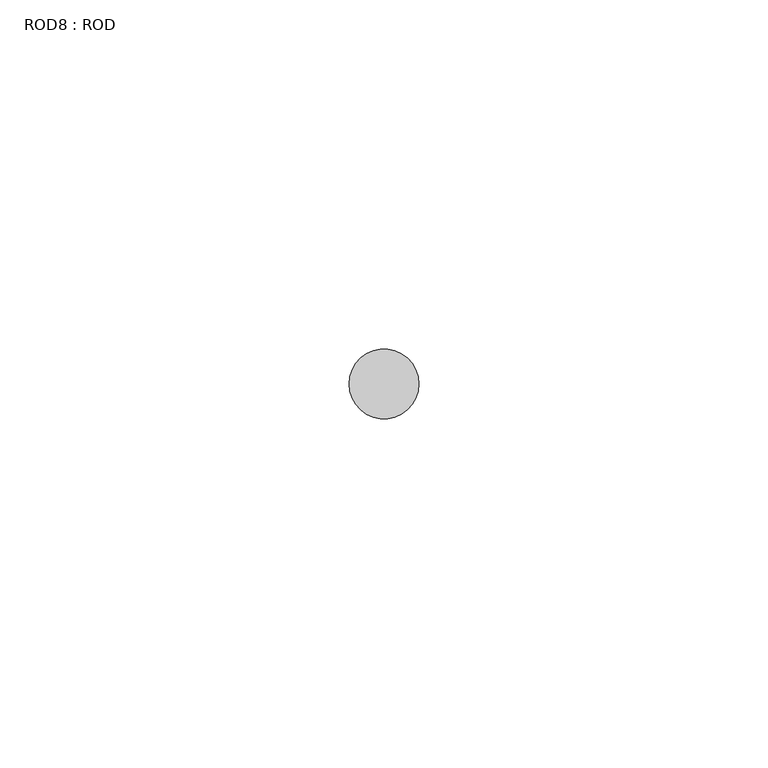
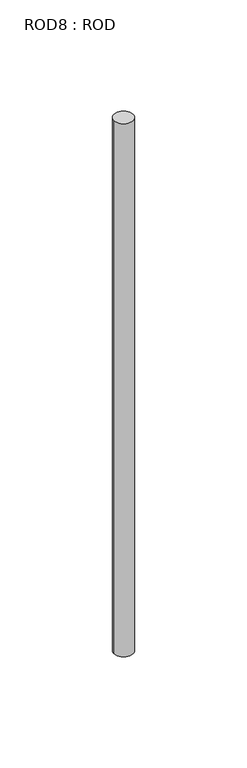
"""IFC4 building model written with IfcOpenShell, lengths in millimetres: proxy geometry, ROD8 : ROD."""

from ifc_helpers import new_model, si_unit, point, frame, frame_2d, origin, place, context, project, spatial, circle_curve, trimmed, segment, composite_curve, outline, extrude, source, transform, mapped, element, save


def rod8_rod_894b965d(model_context):
    return source(origin(), model_context, "Body", "SweptSolid", [
        extrude(outline(composite_curve([segment(trimmed(circle_curve(frame_2d((-10020.2326676, -1114.6300853)), 5.0), [point((-10025.2326676, -1114.6300853))], [point((-10015.2326676, -1114.6300853))], False, "CARTESIAN"), True, "CONTINUOUS"), segment(trimmed(circle_curve(frame_2d((-10020.2326676, -1114.6300853)), 5.0), [point((-10015.2326676, -1114.6300853))], [point((-10025.2326676, -1114.6300853))], False, "CARTESIAN"), True, "CONTINUOUS")], self_intersect=False)), frame((0.0, 0.0, -208.6608845), z_axis=(0.0, 0.0, 1.0), x_axis=(1.0, 0.0, 0.0)), (0.0, 0.0, 1.0), 298.9028972),
    ])


if __name__ == "__main__":
    model = new_model("IFC4")
    model_context = context("Model", 3, world=origin())
    ifc_project = project(units=[si_unit("LENGTHUNIT", "METRE", prefix="MILLI")], contexts=[model_context])
    site = spatial("IfcSite", under=ifc_project)
    building = spatial("IfcBuilding", under=site)
    placement = place(None, origin())
    rod8_rod_shape = rod8_rod_894b965d(model_context)
    element("IfcBuildingElementProxy", 1, Name="ROD8 : ROD", ObjectType="ROD8 : ROD", at=placement, inside=building, context=model_context, shape_type="MappedRepresentation", body=[
        mapped(rod8_rod_shape, transform((0.0, 0.0, 0.0), x_axis=(1.0, 0.0, 0.0), y_axis=(0.0, 1.0, 0.0), z_axis=(0.0, 0.0, 1.0))),
    ])
    save(model, "model.ifc")
